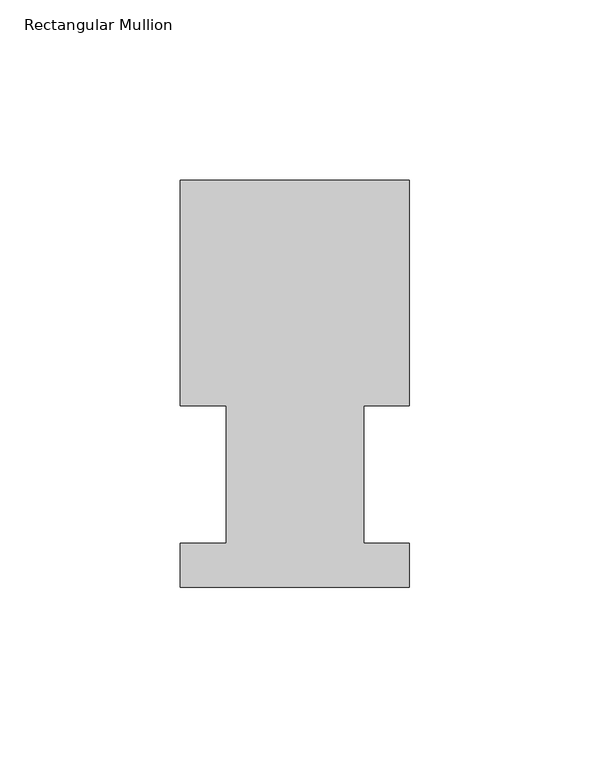
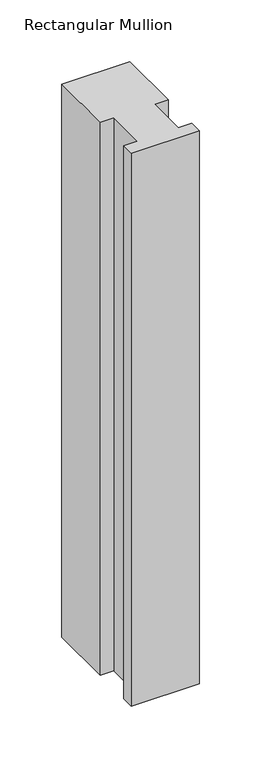
"""IFC4 building model written with IfcOpenShell, lengths in millimetres: member geometry, Rectangular Mullion."""

from ifc_helpers import new_model, si_unit, frame, origin, place, context, project, spatial, polyline, outline, extrude, source, transform, mapped, element, save


def rectangular_mullion_56e92cb5(model_context):
    return source(origin(), model_context, "Body", "SweptSolid", [
        extrude(outline(polyline([(-63.5368106, 52.5859375), (-63.5368106, 115.0699375), (0.0, 115.0699375), (0.0, 52.5859375), (-12.602764, 52.5859375), (-12.602764, 14.4858895), (0.0, 14.4858895), (0.0, 2.1909696), (-63.5, 2.1909696), (-63.5, 14.4859413), (-50.7405803, 14.4859413), (-50.7405803, 52.5859375), (-63.5368106, 52.5859375)])), frame((0.0, 0.0, -547.4101637), z_axis=(0.0, 0.0, 1.0), x_axis=(1.0, 0.0, 0.0)), (0.0, 0.0, 1.0), 547.4101637),
    ])


if __name__ == "__main__":
    model = new_model("IFC4")
    model_context = context("Model", 3, world=origin())
    ifc_project = project(units=[si_unit("LENGTHUNIT", "METRE", prefix="MILLI")], contexts=[model_context])
    site = spatial("IfcSite", under=ifc_project)
    building = spatial("IfcBuilding", under=site)
    placement = place(None, origin())
    rectangular_mullion_shape = rectangular_mullion_56e92cb5(model_context)
    element("IfcMember", 1, ObjectType="Rectangular Mullion", at=placement, inside=building, context=model_context, shape_type="MappedRepresentation", body=[
        mapped(rectangular_mullion_shape, transform((0.0, 0.0, 0.0), x_axis=(1.0, 0.0, 0.0), y_axis=(0.0, 1.0, 0.0), z_axis=(0.0, 0.0, 1.0))),
    ])
    save(model, "model.ifc")
